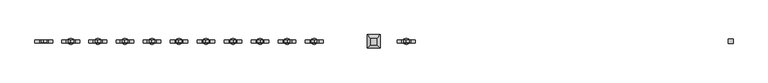
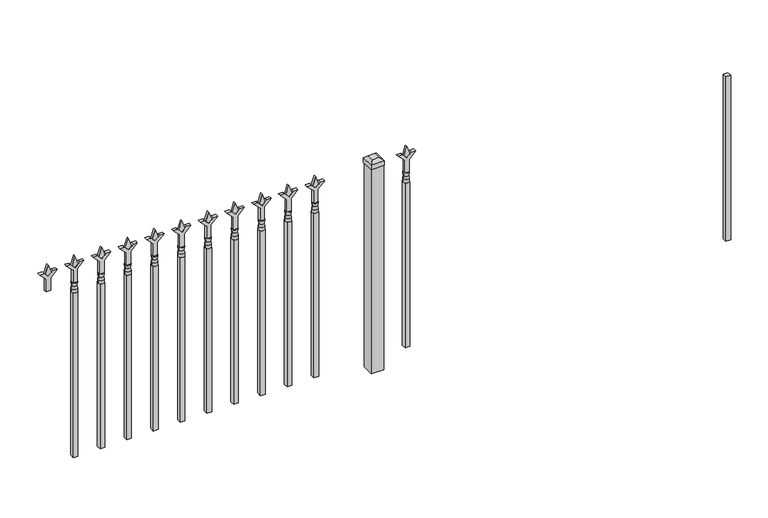
"""IFC4 building model written with IfcOpenShell, lengths in millimetres: railing geometry."""

from ifc_helpers import new_model, si_unit, frame, origin, place, context, project, spatial, polyline, circle_curve, outline, extrude, faceted_brep, source, transform, mapped, element, save
from ifc_brep_helpers import plane_surface, cylinder_surface, revolved_surface, advanced_brep


def railing_796b7fcd(model_context):
    return source(origin(), model_context, "Body", "SolidModel", [
        extrude(outline(polyline([(-6781.6925134, 7047.1449518), (-6762.6425134, 7047.1449518), (-6762.6425134, 7028.0949518), (-6781.6925134, 7028.0949518), (-6781.6925134, 7047.1449518)])), frame((0.0, 0.0, 12242.8), z_axis=(0.0, 0.0, 1.0), x_axis=(1.0, 0.0, 0.0)), (0.0, 0.0, 1.0), 711.2),
        extrude(outline(polyline([(13070.68125, -8071.5362634), (13106.4, -8083.4425134), (13070.68125, -8095.3487634), (13058.775, -8083.4425134), (13070.68125, -8071.5362634)])), frame((0.0, 7032.8574518, 0.0), z_axis=(0.0, 1.0, 0.0), x_axis=(0.0, 0.0, 1.0)), (0.0, 0.0, 1.0), 9.525),
        extrude(outline(polyline([(12995.275, -8074.7112634), (13049.5457378, -8074.7112634), (13076.7355122, -8047.5214889), (13076.7355122, -8065.4820011), (13058.775, -8083.4425134), (13076.7355122, -8101.4030256), (13076.7355122, -8119.3635379), (13049.5457378, -8092.1737634), (12995.275, -8092.1737634), (12995.275, -8074.7112634)])), frame((0.0, 7031.2699518, 0.0), z_axis=(0.0, 1.0, 0.0), x_axis=(0.0, 0.0, 1.0)), (0.0, 0.0, 1.0), 12.7),
        advanced_brep(
        [(-8071.5362634, 7037.6199518, 12966.7), (-8095.3487634, 7037.6199518, 12966.7), (-8095.3487634, 7037.6199518, 12954.0), (-8071.5362634, 7037.6199518, 12954.0), (-8073.7415952, 7037.6199518, 12979.2070585), (-8093.1434315, 7037.6199518, 12979.2070585), (-8071.5362634, 7037.6199518, 12995.275), (-8095.3487634, 7037.6199518, 12995.275), (-8083.4425134, 7037.6199518, 12995.275), (-8083.4425134, 7037.6199518, 12954.0)],
        [
            (0, 1, circle_curve(frame((-8083.4425134, 7037.6199518, 12966.7), z_axis=(0.0, 0.0, -1.0), x_axis=(-1.0, 0.0, 0.0)), 11.90625)),
            (1, 2),
            (2, 3, circle_curve(frame((-8083.4425134, 7037.6199518, 12954.0), z_axis=(0.0, 0.0, 1.0), x_axis=(-1.0, 0.0, 0.0)), 11.90625)),
            (3, 0),
            (1, 0, circle_curve(frame((-8083.4425134, 7037.6199518, 12966.7), z_axis=(0.0, 0.0, -1.0), x_axis=(-1.0, 0.0, 0.0)), 11.90625)),
            (3, 2, circle_curve(frame((-8083.4425134, 7037.6199518, 12954.0), z_axis=(0.0, 0.0, 1.0), x_axis=(-1.0, 0.0, 0.0)), 11.90625)),
            (4, 5, circle_curve(frame((-8083.4425134, 7037.6199518, 12979.2070585), z_axis=(0.0, 0.0, -1.0), x_axis=(-1.0, 0.0, 0.0)), 9.7009181)),
            (5, 1),
            (0, 4),
            (5, 4, circle_curve(frame((-8083.4425134, 7037.6199518, 12979.2070585), z_axis=(0.0, 0.0, -1.0), x_axis=(-1.0, 0.0, 0.0)), 9.7009181)),
            (6, 7, circle_curve(frame((-8083.4425134, 7037.6199518, 12995.275), z_axis=(0.0, 0.0, -1.0), x_axis=(-1.0, 0.0, 0.0)), 11.90625)),
            (7, 5),
            (4, 6),
            (7, 6, circle_curve(frame((-8083.4425134, 7037.6199518, 12995.275), z_axis=(0.0, 0.0, -1.0), x_axis=(-1.0, 0.0, 0.0)), 11.90625)),
            (8, 7),
            (6, 8),
            (2, 9),
            (9, 3),
        ],
        [
            cylinder_surface(frame((-8083.4425134, 7037.6199518, 12954.0), z_axis=(0.0, 0.0, 1.0), x_axis=(-1.0, 0.0, 0.0)), 11.90625),
            revolved_surface(polyline([(-8095.3487634, 7037.6199518, 12966.7), (-8093.1434315, 7037.6199518, 12979.2070585)]), (-8083.4425134, 7037.6199518, 12954.0), (0.0, 0.0, 1.0)),
            revolved_surface(polyline([(-8093.1434315, 7037.6199518, 12979.2070585), (-8095.3487634, 7037.6199518, 12995.275)]), (-8083.4425134, 7037.6199518, 12954.0), (0.0, 0.0, 1.0)),
            plane_surface(frame((-8083.4425134, 7037.6199518, 12995.275), z_axis=(0.0, 0.0, 1.0), x_axis=(-1.0, 0.0, 0.0))),
            plane_surface(frame((-8083.4425134, 7037.6199518, 12954.0), z_axis=(0.0, 0.0, -1.0), x_axis=(-1.0, 0.0, 0.0))),
        ],
        [
            (0, [[1, 2, 3, 4]]),
            (0, [[5, -4, 6, -2]]),
            (1, [[7, 8, -1, 9]]),
            (1, [[10, -9, -5, -8]]),
            (2, [[11, 12, -7, 13]]),
            (2, [[14, -13, -10, -12]]),
            (3, [[15, -11, 16]]),
            (3, [[-16, -14, -15]]),
            (4, [[-3, 17, 18]]),
            (4, [[-6, -18, -17]]),
        ],
    ),
        extrude(outline(polyline([(-8092.9675134, 7047.1449518), (-8073.9175134, 7047.1449518), (-8073.9175134, 7028.0949518), (-8092.9675134, 7028.0949518), (-8092.9675134, 7047.1449518)])), frame((0.0, 0.0, 12242.8), z_axis=(0.0, 0.0, 1.0), x_axis=(1.0, 0.0, 0.0)), (0.0, 0.0, 1.0), 711.2),
        faceted_brep([(-8242.1925134, 7064.6074518, 13093.7), (-8242.1925134, 7064.6074518, 13074.65), (-8242.1925134, 7010.6324518, 13074.65), (-8242.1925134, 7010.6324518, 13093.7), (-8229.4925134, 7051.9074518, 13106.4), (-8229.4925134, 7023.3324518, 13106.4), (-8188.2175134, 7010.6324518, 13074.65), (-8188.2175134, 7010.6324518, 13093.7), (-8200.9175134, 7023.3324518, 13106.4), (-8188.2175134, 7064.6074518, 13074.65), (-8188.2175134, 7064.6074518, 13093.7), (-8200.9175134, 7051.9074518, 13106.4)], [[[0, 1, 2, 3]], [[4, 0, 3, 5]], [[3, 2, 6, 7]], [[5, 3, 7, 8]], [[7, 6, 9, 10]], [[8, 7, 10, 11]], [[10, 9, 1, 0]], [[11, 10, 0, 4]], [[5, 8, 11, 4]], [[1, 9, 6, 2]]]),
        extrude(outline(polyline([(-8189.8050134, 7063.0199518), (-8189.8050134, 7012.2199518), (-8240.6050134, 7012.2199518), (-8240.6050134, 7063.0199518), (-8189.8050134, 7063.0199518)])), frame((0.0, 0.0, 12192.0), z_axis=(0.0, 0.0, 1.0), x_axis=(1.0, 0.0, 0.0)), (0.0, 0.0, 1.0), 882.65),
        extrude(outline(polyline([(13070.68125, -8444.33418), (13106.4, -8456.24043), (13070.68125, -8468.14668), (13058.775, -8456.24043), (13070.68125, -8444.33418)])), frame((0.0, 7032.8574518, 0.0), z_axis=(0.0, 1.0, 0.0), x_axis=(0.0, 0.0, 1.0)), (0.0, 0.0, 1.0), 9.525),
        extrude(outline(polyline([(12995.275, -8447.50918), (13049.5457378, -8447.50918), (13076.7355122, -8420.3194056), (13076.7355122, -8438.2799178), (13058.775, -8456.24043), (13076.7355122, -8474.2009423), (13076.7355122, -8492.1614545), (13049.5457378, -8464.97168), (12995.275, -8464.97168), (12995.275, -8447.50918)])), frame((0.0, 7031.2699518, 0.0), z_axis=(0.0, 1.0, 0.0), x_axis=(0.0, 0.0, 1.0)), (0.0, 0.0, 1.0), 12.7),
        advanced_brep(
        [(-8444.33418, 7037.6199518, 12966.7), (-8468.14668, 7037.6199518, 12966.7), (-8468.14668, 7037.6199518, 12954.0), (-8444.33418, 7037.6199518, 12954.0), (-8446.5395119, 7037.6199518, 12979.2070585), (-8465.9413482, 7037.6199518, 12979.2070585), (-8444.33418, 7037.6199518, 12995.275), (-8468.14668, 7037.6199518, 12995.275), (-8456.24043, 7037.6199518, 12995.275), (-8456.24043, 7037.6199518, 12954.0)],
        [
            (0, 1, circle_curve(frame((-8456.24043, 7037.6199518, 12966.7), z_axis=(0.0, 0.0, -1.0), x_axis=(-1.0, 0.0, 0.0)), 11.90625)),
            (1, 2),
            (2, 3, circle_curve(frame((-8456.24043, 7037.6199518, 12954.0), z_axis=(0.0, 0.0, 1.0), x_axis=(-1.0, 0.0, 0.0)), 11.90625)),
            (3, 0),
            (1, 0, circle_curve(frame((-8456.24043, 7037.6199518, 12966.7), z_axis=(0.0, 0.0, -1.0), x_axis=(-1.0, 0.0, 0.0)), 11.90625)),
            (3, 2, circle_curve(frame((-8456.24043, 7037.6199518, 12954.0), z_axis=(0.0, 0.0, 1.0), x_axis=(-1.0, 0.0, 0.0)), 11.90625)),
            (4, 5, circle_curve(frame((-8456.24043, 7037.6199518, 12979.2070585), z_axis=(0.0, 0.0, -1.0), x_axis=(-1.0, 0.0, 0.0)), 9.7009181)),
            (5, 1),
            (0, 4),
            (5, 4, circle_curve(frame((-8456.24043, 7037.6199518, 12979.2070585), z_axis=(0.0, 0.0, -1.0), x_axis=(-1.0, 0.0, 0.0)), 9.7009181)),
            (6, 7, circle_curve(frame((-8456.24043, 7037.6199518, 12995.275), z_axis=(0.0, 0.0, -1.0), x_axis=(-1.0, 0.0, 0.0)), 11.90625)),
            (7, 5),
            (4, 6),
            (7, 6, circle_curve(frame((-8456.24043, 7037.6199518, 12995.275), z_axis=(0.0, 0.0, -1.0), x_axis=(-1.0, 0.0, 0.0)), 11.90625)),
            (8, 7),
            (6, 8),
            (2, 9),
            (9, 3),
        ],
        [
            cylinder_surface(frame((-8456.24043, 7037.6199518, 12954.0), z_axis=(0.0, 0.0, 1.0), x_axis=(-1.0, 0.0, 0.0)), 11.90625),
            revolved_surface(polyline([(-8468.14668, 7037.6199518, 12966.7), (-8465.9413482, 7037.6199518, 12979.2070585)]), (-8456.24043, 7037.6199518, 12954.0), (0.0, 0.0, 1.0)),
            revolved_surface(polyline([(-8465.9413482, 7037.6199518, 12979.2070585), (-8468.14668, 7037.6199518, 12995.275)]), (-8456.24043, 7037.6199518, 12954.0), (0.0, 0.0, 1.0)),
            plane_surface(frame((-8456.24043, 7037.6199518, 12995.275), z_axis=(0.0, 0.0, 1.0), x_axis=(-1.0, 0.0, 0.0))),
            plane_surface(frame((-8456.24043, 7037.6199518, 12954.0), z_axis=(0.0, 0.0, -1.0), x_axis=(-1.0, 0.0, 0.0))),
        ],
        [
            (0, [[1, 2, 3, 4]]),
            (0, [[5, -4, 6, -2]]),
            (1, [[7, 8, -1, 9]]),
            (1, [[10, -9, -5, -8]]),
            (2, [[11, 12, -7, 13]]),
            (2, [[14, -13, -10, -12]]),
            (3, [[15, -11, 16]]),
            (3, [[-16, -14, -15]]),
            (4, [[-3, 17, 18]]),
            (4, [[-6, -18, -17]]),
        ],
    ),
        extrude(outline(polyline([(-8465.76543, 7047.1449518), (-8446.71543, 7047.1449518), (-8446.71543, 7028.0949518), (-8465.76543, 7028.0949518), (-8465.76543, 7047.1449518)])), frame((0.0, 0.0, 12242.8), z_axis=(0.0, 0.0, 1.0), x_axis=(1.0, 0.0, 0.0)), (0.0, 0.0, 1.0), 711.2),
        extrude(outline(polyline([(13070.68125, -8553.6070967), (13106.4, -8565.5133467), (13070.68125, -8577.4195967), (13058.775, -8565.5133467), (13070.68125, -8553.6070967)])), frame((0.0, 7032.8574518, 0.0), z_axis=(0.0, 1.0, 0.0), x_axis=(0.0, 0.0, 1.0)), (0.0, 0.0, 1.0), 9.525),
        extrude(outline(polyline([(12995.275, -8556.7820967), (13049.5457378, -8556.7820967), (13076.7355122, -8529.5923222), (13076.7355122, -8547.5528345), (13058.775, -8565.5133467), (13076.7355122, -8583.473859), (13076.7355122, -8601.4343712), (13049.5457378, -8574.2445967), (12995.275, -8574.2445967), (12995.275, -8556.7820967)])), frame((0.0, 7031.2699518, 0.0), z_axis=(0.0, 1.0, 0.0), x_axis=(0.0, 0.0, 1.0)), (0.0, 0.0, 1.0), 12.7),
        advanced_brep(
        [(-8553.6070967, 7037.6199518, 12966.7), (-8577.4195967, 7037.6199518, 12966.7), (-8577.4195967, 7037.6199518, 12954.0), (-8553.6070967, 7037.6199518, 12954.0), (-8555.8124286, 7037.6199518, 12979.2070585), (-8575.2142649, 7037.6199518, 12979.2070585), (-8553.6070967, 7037.6199518, 12995.275), (-8577.4195967, 7037.6199518, 12995.275), (-8565.5133467, 7037.6199518, 12995.275), (-8565.5133467, 7037.6199518, 12954.0)],
        [
            (0, 1, circle_curve(frame((-8565.5133467, 7037.6199518, 12966.7), z_axis=(0.0, 0.0, -1.0), x_axis=(-1.0, 0.0, 0.0)), 11.90625)),
            (1, 2),
            (2, 3, circle_curve(frame((-8565.5133467, 7037.6199518, 12954.0), z_axis=(0.0, 0.0, 1.0), x_axis=(-1.0, 0.0, 0.0)), 11.90625)),
            (3, 0),
            (1, 0, circle_curve(frame((-8565.5133467, 7037.6199518, 12966.7), z_axis=(0.0, 0.0, -1.0), x_axis=(-1.0, 0.0, 0.0)), 11.90625)),
            (3, 2, circle_curve(frame((-8565.5133467, 7037.6199518, 12954.0), z_axis=(0.0, 0.0, 1.0), x_axis=(-1.0, 0.0, 0.0)), 11.90625)),
            (4, 5, circle_curve(frame((-8565.5133467, 7037.6199518, 12979.2070585), z_axis=(0.0, 0.0, -1.0), x_axis=(-1.0, 0.0, 0.0)), 9.7009181)),
            (5, 1),
            (0, 4),
            (5, 4, circle_curve(frame((-8565.5133467, 7037.6199518, 12979.2070585), z_axis=(0.0, 0.0, -1.0), x_axis=(-1.0, 0.0, 0.0)), 9.7009181)),
            (6, 7, circle_curve(frame((-8565.5133467, 7037.6199518, 12995.275), z_axis=(0.0, 0.0, -1.0), x_axis=(-1.0, 0.0, 0.0)), 11.90625)),
            (7, 5),
            (4, 6),
            (7, 6, circle_curve(frame((-8565.5133467, 7037.6199518, 12995.275), z_axis=(0.0, 0.0, -1.0), x_axis=(-1.0, 0.0, 0.0)), 11.90625)),
            (8, 7),
            (6, 8),
            (2, 9),
            (9, 3),
        ],
        [
            cylinder_surface(frame((-8565.5133467, 7037.6199518, 12954.0), z_axis=(0.0, 0.0, 1.0), x_axis=(-1.0, 0.0, 0.0)), 11.90625),
            revolved_surface(polyline([(-8577.4195967, 7037.6199518, 12966.7), (-8575.2142649, 7037.6199518, 12979.2070585)]), (-8565.5133467, 7037.6199518, 12954.0), (0.0, 0.0, 1.0)),
            revolved_surface(polyline([(-8575.2142649, 7037.6199518, 12979.2070585), (-8577.4195967, 7037.6199518, 12995.275)]), (-8565.5133467, 7037.6199518, 12954.0), (0.0, 0.0, 1.0)),
            plane_surface(frame((-8565.5133467, 7037.6199518, 12995.275), z_axis=(0.0, 0.0, 1.0), x_axis=(-1.0, 0.0, 0.0))),
            plane_surface(frame((-8565.5133467, 7037.6199518, 12954.0), z_axis=(0.0, 0.0, -1.0), x_axis=(-1.0, 0.0, 0.0))),
        ],
        [
            (0, [[1, 2, 3, 4]]),
            (0, [[5, -4, 6, -2]]),
            (1, [[7, 8, -1, 9]]),
            (1, [[10, -9, -5, -8]]),
            (2, [[11, 12, -7, 13]]),
            (2, [[14, -13, -10, -12]]),
            (3, [[15, -11, 16]]),
            (3, [[-16, -14, -15]]),
            (4, [[-3, 17, 18]]),
            (4, [[-6, -18, -17]]),
        ],
    ),
        extrude(outline(polyline([(-8575.0383467, 7047.1449518), (-8555.9883467, 7047.1449518), (-8555.9883467, 7028.0949518), (-8575.0383467, 7028.0949518), (-8575.0383467, 7047.1449518)])), frame((0.0, 0.0, 12242.8), z_axis=(0.0, 0.0, 1.0), x_axis=(1.0, 0.0, 0.0)), (0.0, 0.0, 1.0), 711.2),
        extrude(outline(polyline([(13070.68125, -8662.8800134), (13106.4, -8674.7862634), (13070.68125, -8686.6925134), (13058.775, -8674.7862634), (13070.68125, -8662.8800134)])), frame((0.0, 7032.8574518, 0.0), z_axis=(0.0, 1.0, 0.0), x_axis=(0.0, 0.0, 1.0)), (0.0, 0.0, 1.0), 9.525),
        extrude(outline(polyline([(12995.275, -8666.0550134), (13049.5457378, -8666.0550134), (13076.7355122, -8638.8652389), (13076.7355122, -8656.8257511), (13058.775, -8674.7862634), (13076.7355122, -8692.7467756), (13076.7355122, -8710.7072879), (13049.5457378, -8683.5175134), (12995.275, -8683.5175134), (12995.275, -8666.0550134)])), frame((0.0, 7031.2699518, 0.0), z_axis=(0.0, 1.0, 0.0), x_axis=(0.0, 0.0, 1.0)), (0.0, 0.0, 1.0), 12.7),
        advanced_brep(
        [(-8662.8800134, 7037.6199518, 12966.7), (-8686.6925134, 7037.6199518, 12966.7), (-8686.6925134, 7037.6199518, 12954.0), (-8662.8800134, 7037.6199518, 12954.0), (-8665.0853452, 7037.6199518, 12979.2070585), (-8684.4871815, 7037.6199518, 12979.2070585), (-8662.8800134, 7037.6199518, 12995.275), (-8686.6925134, 7037.6199518, 12995.275), (-8674.7862634, 7037.6199518, 12995.275), (-8674.7862634, 7037.6199518, 12954.0)],
        [
            (0, 1, circle_curve(frame((-8674.7862634, 7037.6199518, 12966.7), z_axis=(0.0, 0.0, -1.0), x_axis=(-1.0, 0.0, 0.0)), 11.90625)),
            (1, 2),
            (2, 3, circle_curve(frame((-8674.7862634, 7037.6199518, 12954.0), z_axis=(0.0, 0.0, 1.0), x_axis=(-1.0, 0.0, 0.0)), 11.90625)),
            (3, 0),
            (1, 0, circle_curve(frame((-8674.7862634, 7037.6199518, 12966.7), z_axis=(0.0, 0.0, -1.0), x_axis=(-1.0, 0.0, 0.0)), 11.90625)),
            (3, 2, circle_curve(frame((-8674.7862634, 7037.6199518, 12954.0), z_axis=(0.0, 0.0, 1.0), x_axis=(-1.0, 0.0, 0.0)), 11.90625)),
            (4, 5, circle_curve(frame((-8674.7862634, 7037.6199518, 12979.2070585), z_axis=(0.0, 0.0, -1.0), x_axis=(-1.0, 0.0, 0.0)), 9.7009181)),
            (5, 1),
            (0, 4),
            (5, 4, circle_curve(frame((-8674.7862634, 7037.6199518, 12979.2070585), z_axis=(0.0, 0.0, -1.0), x_axis=(-1.0, 0.0, 0.0)), 9.7009181)),
            (6, 7, circle_curve(frame((-8674.7862634, 7037.6199518, 12995.275), z_axis=(0.0, 0.0, -1.0), x_axis=(-1.0, 0.0, 0.0)), 11.90625)),
            (7, 5),
            (4, 6),
            (7, 6, circle_curve(frame((-8674.7862634, 7037.6199518, 12995.275), z_axis=(0.0, 0.0, -1.0), x_axis=(-1.0, 0.0, 0.0)), 11.90625)),
            (8, 7),
            (6, 8),
            (2, 9),
            (9, 3),
        ],
        [
            cylinder_surface(frame((-8674.7862634, 7037.6199518, 12954.0), z_axis=(0.0, 0.0, 1.0), x_axis=(-1.0, 0.0, 0.0)), 11.90625),
            revolved_surface(polyline([(-8686.6925134, 7037.6199518, 12966.7), (-8684.4871815, 7037.6199518, 12979.2070585)]), (-8674.7862634, 7037.6199518, 12954.0), (0.0, 0.0, 1.0)),
            revolved_surface(polyline([(-8684.4871815, 7037.6199518, 12979.2070585), (-8686.6925134, 7037.6199518, 12995.275)]), (-8674.7862634, 7037.6199518, 12954.0), (0.0, 0.0, 1.0)),
            plane_surface(frame((-8674.7862634, 7037.6199518, 12995.275), z_axis=(0.0, 0.0, 1.0), x_axis=(-1.0, 0.0, 0.0))),
            plane_surface(frame((-8674.7862634, 7037.6199518, 12954.0), z_axis=(0.0, 0.0, -1.0), x_axis=(-1.0, 0.0, 0.0))),
        ],
        [
            (0, [[1, 2, 3, 4]]),
            (0, [[5, -4, 6, -2]]),
            (1, [[7, 8, -1, 9]]),
            (1, [[10, -9, -5, -8]]),
            (2, [[11, 12, -7, 13]]),
            (2, [[14, -13, -10, -12]]),
            (3, [[15, -11, 16]]),
            (3, [[-16, -14, -15]]),
            (4, [[-3, 17, 18]]),
            (4, [[-6, -18, -17]]),
        ],
    ),
        extrude(outline(polyline([(-8684.3112634, 7047.1449518), (-8665.2612634, 7047.1449518), (-8665.2612634, 7028.0949518), (-8684.3112634, 7028.0949518), (-8684.3112634, 7047.1449518)])), frame((0.0, 0.0, 12242.8), z_axis=(0.0, 0.0, 1.0), x_axis=(1.0, 0.0, 0.0)), (0.0, 0.0, 1.0), 711.2),
        extrude(outline(polyline([(13070.68125, -8772.15293), (13106.4, -8784.05918), (13070.68125, -8795.96543), (13058.775, -8784.05918), (13070.68125, -8772.15293)])), frame((0.0, 7032.8574518, 0.0), z_axis=(0.0, 1.0, 0.0), x_axis=(0.0, 0.0, 1.0)), (0.0, 0.0, 1.0), 9.525),
        extrude(outline(polyline([(12995.275, -8775.32793), (13049.5457378, -8775.32793), (13076.7355122, -8748.1381556), (13076.7355122, -8766.0986678), (13058.775, -8784.05918), (13076.7355122, -8802.0196923), (13076.7355122, -8819.9802045), (13049.5457378, -8792.79043), (12995.275, -8792.79043), (12995.275, -8775.32793)])), frame((0.0, 7031.2699518, 0.0), z_axis=(0.0, 1.0, 0.0), x_axis=(0.0, 0.0, 1.0)), (0.0, 0.0, 1.0), 12.7),
        advanced_brep(
        [(-8772.15293, 7037.6199518, 12966.7), (-8795.96543, 7037.6199518, 12966.7), (-8795.96543, 7037.6199518, 12954.0), (-8772.15293, 7037.6199518, 12954.0), (-8774.3582619, 7037.6199518, 12979.2070585), (-8793.7600982, 7037.6199518, 12979.2070585), (-8772.15293, 7037.6199518, 12995.275), (-8795.96543, 7037.6199518, 12995.275), (-8784.05918, 7037.6199518, 12995.275), (-8784.05918, 7037.6199518, 12954.0)],
        [
            (0, 1, circle_curve(frame((-8784.05918, 7037.6199518, 12966.7), z_axis=(0.0, 0.0, -1.0), x_axis=(-1.0, 0.0, 0.0)), 11.90625)),
            (1, 2),
            (2, 3, circle_curve(frame((-8784.05918, 7037.6199518, 12954.0), z_axis=(0.0, 0.0, 1.0), x_axis=(-1.0, 0.0, 0.0)), 11.90625)),
            (3, 0),
            (1, 0, circle_curve(frame((-8784.05918, 7037.6199518, 12966.7), z_axis=(0.0, 0.0, -1.0), x_axis=(-1.0, 0.0, 0.0)), 11.90625)),
            (3, 2, circle_curve(frame((-8784.05918, 7037.6199518, 12954.0), z_axis=(0.0, 0.0, 1.0), x_axis=(-1.0, 0.0, 0.0)), 11.90625)),
            (4, 5, circle_curve(frame((-8784.05918, 7037.6199518, 12979.2070585), z_axis=(0.0, 0.0, -1.0), x_axis=(-1.0, 0.0, 0.0)), 9.7009181)),
            (5, 1),
            (0, 4),
            (5, 4, circle_curve(frame((-8784.05918, 7037.6199518, 12979.2070585), z_axis=(0.0, 0.0, -1.0), x_axis=(-1.0, 0.0, 0.0)), 9.7009181)),
            (6, 7, circle_curve(frame((-8784.05918, 7037.6199518, 12995.275), z_axis=(0.0, 0.0, -1.0), x_axis=(-1.0, 0.0, 0.0)), 11.90625)),
            (7, 5),
            (4, 6),
            (7, 6, circle_curve(frame((-8784.05918, 7037.6199518, 12995.275), z_axis=(0.0, 0.0, -1.0), x_axis=(-1.0, 0.0, 0.0)), 11.90625)),
            (8, 7),
            (6, 8),
            (2, 9),
            (9, 3),
        ],
        [
            cylinder_surface(frame((-8784.05918, 7037.6199518, 12954.0), z_axis=(0.0, 0.0, 1.0), x_axis=(-1.0, 0.0, 0.0)), 11.90625),
            revolved_surface(polyline([(-8795.96543, 7037.6199518, 12966.7), (-8793.7600982, 7037.6199518, 12979.2070585)]), (-8784.05918, 7037.6199518, 12954.0), (0.0, 0.0, 1.0)),
            revolved_surface(polyline([(-8793.7600982, 7037.6199518, 12979.2070585), (-8795.96543, 7037.6199518, 12995.275)]), (-8784.05918, 7037.6199518, 12954.0), (0.0, 0.0, 1.0)),
            plane_surface(frame((-8784.05918, 7037.6199518, 12995.275), z_axis=(0.0, 0.0, 1.0), x_axis=(-1.0, 0.0, 0.0))),
            plane_surface(frame((-8784.05918, 7037.6199518, 12954.0), z_axis=(0.0, 0.0, -1.0), x_axis=(-1.0, 0.0, 0.0))),
        ],
        [
            (0, [[1, 2, 3, 4]]),
            (0, [[5, -4, 6, -2]]),
            (1, [[7, 8, -1, 9]]),
            (1, [[10, -9, -5, -8]]),
            (2, [[11, 12, -7, 13]]),
            (2, [[14, -13, -10, -12]]),
            (3, [[15, -11, 16]]),
            (3, [[-16, -14, -15]]),
            (4, [[-3, 17, 18]]),
            (4, [[-6, -18, -17]]),
        ],
    ),
        extrude(outline(polyline([(-8793.58418, 7047.1449518), (-8774.53418, 7047.1449518), (-8774.53418, 7028.0949518), (-8793.58418, 7028.0949518), (-8793.58418, 7047.1449518)])), frame((0.0, 0.0, 12242.8), z_axis=(0.0, 0.0, 1.0), x_axis=(1.0, 0.0, 0.0)), (0.0, 0.0, 1.0), 711.2),
        extrude(outline(polyline([(13070.68125, -8881.4258467), (13106.4, -8893.3320967), (13070.68125, -8905.2383467), (13058.775, -8893.3320967), (13070.68125, -8881.4258467)])), frame((0.0, 7032.8574518, 0.0), z_axis=(0.0, 1.0, 0.0), x_axis=(0.0, 0.0, 1.0)), (0.0, 0.0, 1.0), 9.525),
        extrude(outline(polyline([(12995.275, -8884.6008467), (13049.5457378, -8884.6008467), (13076.7355122, -8857.4110722), (13076.7355122, -8875.3715845), (13058.775, -8893.3320967), (13076.7355122, -8911.292609), (13076.7355122, -8929.2531212), (13049.5457378, -8902.0633467), (12995.275, -8902.0633467), (12995.275, -8884.6008467)])), frame((0.0, 7031.2699518, 0.0), z_axis=(0.0, 1.0, 0.0), x_axis=(0.0, 0.0, 1.0)), (0.0, 0.0, 1.0), 12.7),
        advanced_brep(
        [(-8881.4258467, 7037.6199518, 12966.7), (-8905.2383467, 7037.6199518, 12966.7), (-8905.2383467, 7037.6199518, 12954.0), (-8881.4258467, 7037.6199518, 12954.0), (-8883.6311786, 7037.6199518, 12979.2070585), (-8903.0330149, 7037.6199518, 12979.2070585), (-8881.4258467, 7037.6199518, 12995.275), (-8905.2383467, 7037.6199518, 12995.275), (-8893.3320967, 7037.6199518, 12995.275), (-8893.3320967, 7037.6199518, 12954.0)],
        [
            (0, 1, circle_curve(frame((-8893.3320967, 7037.6199518, 12966.7), z_axis=(0.0, 0.0, -1.0), x_axis=(-1.0, 0.0, 0.0)), 11.90625)),
            (1, 2),
            (2, 3, circle_curve(frame((-8893.3320967, 7037.6199518, 12954.0), z_axis=(0.0, 0.0, 1.0), x_axis=(-1.0, 0.0, 0.0)), 11.90625)),
            (3, 0),
            (1, 0, circle_curve(frame((-8893.3320967, 7037.6199518, 12966.7), z_axis=(0.0, 0.0, -1.0), x_axis=(-1.0, 0.0, 0.0)), 11.90625)),
            (3, 2, circle_curve(frame((-8893.3320967, 7037.6199518, 12954.0), z_axis=(0.0, 0.0, 1.0), x_axis=(-1.0, 0.0, 0.0)), 11.90625)),
            (4, 5, circle_curve(frame((-8893.3320967, 7037.6199518, 12979.2070585), z_axis=(0.0, 0.0, -1.0), x_axis=(-1.0, 0.0, 0.0)), 9.7009181)),
            (5, 1),
            (0, 4),
            (5, 4, circle_curve(frame((-8893.3320967, 7037.6199518, 12979.2070585), z_axis=(0.0, 0.0, -1.0), x_axis=(-1.0, 0.0, 0.0)), 9.7009181)),
            (6, 7, circle_curve(frame((-8893.3320967, 7037.6199518, 12995.275), z_axis=(0.0, 0.0, -1.0), x_axis=(-1.0, 0.0, 0.0)), 11.90625)),
            (7, 5),
            (4, 6),
            (7, 6, circle_curve(frame((-8893.3320967, 7037.6199518, 12995.275), z_axis=(0.0, 0.0, -1.0), x_axis=(-1.0, 0.0, 0.0)), 11.90625)),
            (8, 7),
            (6, 8),
            (2, 9),
            (9, 3),
        ],
        [
            cylinder_surface(frame((-8893.3320967, 7037.6199518, 12954.0), z_axis=(0.0, 0.0, 1.0), x_axis=(-1.0, 0.0, 0.0)), 11.90625),
            revolved_surface(polyline([(-8905.2383467, 7037.6199518, 12966.7), (-8903.0330149, 7037.6199518, 12979.2070585)]), (-8893.3320967, 7037.6199518, 12954.0), (0.0, 0.0, 1.0)),
            revolved_surface(polyline([(-8903.0330149, 7037.6199518, 12979.2070585), (-8905.2383467, 7037.6199518, 12995.275)]), (-8893.3320967, 7037.6199518, 12954.0), (0.0, 0.0, 1.0)),
            plane_surface(frame((-8893.3320967, 7037.6199518, 12995.275), z_axis=(0.0, 0.0, 1.0), x_axis=(-1.0, 0.0, 0.0))),
            plane_surface(frame((-8893.3320967, 7037.6199518, 12954.0), z_axis=(0.0, 0.0, -1.0), x_axis=(-1.0, 0.0, 0.0))),
        ],
        [
            (0, [[1, 2, 3, 4]]),
            (0, [[5, -4, 6, -2]]),
            (1, [[7, 8, -1, 9]]),
            (1, [[10, -9, -5, -8]]),
            (2, [[11, 12, -7, 13]]),
            (2, [[14, -13, -10, -12]]),
            (3, [[15, -11, 16]]),
            (3, [[-16, -14, -15]]),
            (4, [[-3, 17, 18]]),
            (4, [[-6, -18, -17]]),
        ],
    ),
        extrude(outline(polyline([(-8902.8570967, 7047.1449518), (-8883.8070967, 7047.1449518), (-8883.8070967, 7028.0949518), (-8902.8570967, 7028.0949518), (-8902.8570967, 7047.1449518)])), frame((0.0, 0.0, 12242.8), z_axis=(0.0, 0.0, 1.0), x_axis=(1.0, 0.0, 0.0)), (0.0, 0.0, 1.0), 711.2),
        extrude(outline(polyline([(13070.68125, -8990.6987634), (13106.4, -9002.6050134), (13070.68125, -9014.5112634), (13058.775, -9002.6050134), (13070.68125, -8990.6987634)])), frame((0.0, 7032.8574518, 0.0), z_axis=(0.0, 1.0, 0.0), x_axis=(0.0, 0.0, 1.0)), (0.0, 0.0, 1.0), 9.525),
        extrude(outline(polyline([(12995.275, -8993.8737634), (13049.5457378, -8993.8737634), (13076.7355122, -8966.6839889), (13076.7355122, -8984.6445011), (13058.775, -9002.6050134), (13076.7355122, -9020.5655256), (13076.7355122, -9038.5260379), (13049.5457378, -9011.3362634), (12995.275, -9011.3362634), (12995.275, -8993.8737634)])), frame((0.0, 7031.2699518, 0.0), z_axis=(0.0, 1.0, 0.0), x_axis=(0.0, 0.0, 1.0)), (0.0, 0.0, 1.0), 12.7),
        advanced_brep(
        [(-8990.6987634, 7037.6199518, 12966.7), (-9014.5112634, 7037.6199518, 12966.7), (-9014.5112634, 7037.6199518, 12954.0), (-8990.6987634, 7037.6199518, 12954.0), (-8992.9040952, 7037.6199518, 12979.2070585), (-9012.3059315, 7037.6199518, 12979.2070585), (-8990.6987634, 7037.6199518, 12995.275), (-9014.5112634, 7037.6199518, 12995.275), (-9002.6050134, 7037.6199518, 12995.275), (-9002.6050134, 7037.6199518, 12954.0)],
        [
            (0, 1, circle_curve(frame((-9002.6050134, 7037.6199518, 12966.7), z_axis=(0.0, 0.0, -1.0), x_axis=(-1.0, 0.0, 0.0)), 11.90625)),
            (1, 2),
            (2, 3, circle_curve(frame((-9002.6050134, 7037.6199518, 12954.0), z_axis=(0.0, 0.0, 1.0), x_axis=(-1.0, 0.0, 0.0)), 11.90625)),
            (3, 0),
            (1, 0, circle_curve(frame((-9002.6050134, 7037.6199518, 12966.7), z_axis=(0.0, 0.0, -1.0), x_axis=(-1.0, 0.0, 0.0)), 11.90625)),
            (3, 2, circle_curve(frame((-9002.6050134, 7037.6199518, 12954.0), z_axis=(0.0, 0.0, 1.0), x_axis=(-1.0, 0.0, 0.0)), 11.90625)),
            (4, 5, circle_curve(frame((-9002.6050134, 7037.6199518, 12979.2070585), z_axis=(0.0, 0.0, -1.0), x_axis=(-1.0, 0.0, 0.0)), 9.7009181)),
            (5, 1),
            (0, 4),
            (5, 4, circle_curve(frame((-9002.6050134, 7037.6199518, 12979.2070585), z_axis=(0.0, 0.0, -1.0), x_axis=(-1.0, 0.0, 0.0)), 9.7009181)),
            (6, 7, circle_curve(frame((-9002.6050134, 7037.6199518, 12995.275), z_axis=(0.0, 0.0, -1.0), x_axis=(-1.0, 0.0, 0.0)), 11.90625)),
            (7, 5),
            (4, 6),
            (7, 6, circle_curve(frame((-9002.6050134, 7037.6199518, 12995.275), z_axis=(0.0, 0.0, -1.0), x_axis=(-1.0, 0.0, 0.0)), 11.90625)),
            (8, 7),
            (6, 8),
            (2, 9),
            (9, 3),
        ],
        [
            cylinder_surface(frame((-9002.6050134, 7037.6199518, 12954.0), z_axis=(0.0, 0.0, 1.0), x_axis=(-1.0, 0.0, 0.0)), 11.90625),
            revolved_surface(polyline([(-9014.5112634, 7037.6199518, 12966.7), (-9012.3059315, 7037.6199518, 12979.2070585)]), (-9002.6050134, 7037.6199518, 12954.0), (0.0, 0.0, 1.0)),
            revolved_surface(polyline([(-9012.3059315, 7037.6199518, 12979.2070585), (-9014.5112634, 7037.6199518, 12995.275)]), (-9002.6050134, 7037.6199518, 12954.0), (0.0, 0.0, 1.0)),
            plane_surface(frame((-9002.6050134, 7037.6199518, 12995.275), z_axis=(0.0, 0.0, 1.0), x_axis=(-1.0, 0.0, 0.0))),
            plane_surface(frame((-9002.6050134, 7037.6199518, 12954.0), z_axis=(0.0, 0.0, -1.0), x_axis=(-1.0, 0.0, 0.0))),
        ],
        [
            (0, [[1, 2, 3, 4]]),
            (0, [[5, -4, 6, -2]]),
            (1, [[7, 8, -1, 9]]),
            (1, [[10, -9, -5, -8]]),
            (2, [[11, 12, -7, 13]]),
            (2, [[14, -13, -10, -12]]),
            (3, [[15, -11, 16]]),
            (3, [[-16, -14, -15]]),
            (4, [[-3, 17, 18]]),
            (4, [[-6, -18, -17]]),
        ],
    ),
        extrude(outline(polyline([(-9012.1300134, 7047.1449518), (-8993.0800134, 7047.1449518), (-8993.0800134, 7028.0949518), (-9012.1300134, 7028.0949518), (-9012.1300134, 7047.1449518)])), frame((0.0, 0.0, 12242.8), z_axis=(0.0, 0.0, 1.0), x_axis=(1.0, 0.0, 0.0)), (0.0, 0.0, 1.0), 711.2),
        extrude(outline(polyline([(13070.68125, -9099.97168), (13106.4, -9111.87793), (13070.68125, -9123.78418), (13058.775, -9111.87793), (13070.68125, -9099.97168)])), frame((0.0, 7032.8574518, 0.0), z_axis=(0.0, 1.0, 0.0), x_axis=(0.0, 0.0, 1.0)), (0.0, 0.0, 1.0), 9.525),
        extrude(outline(polyline([(12995.275, -9103.14668), (13049.5457378, -9103.14668), (13076.7355122, -9075.9569056), (13076.7355122, -9093.9174178), (13058.775, -9111.87793), (13076.7355122, -9129.8384423), (13076.7355122, -9147.7989545), (13049.5457378, -9120.60918), (12995.275, -9120.60918), (12995.275, -9103.14668)])), frame((0.0, 7031.2699518, 0.0), z_axis=(0.0, 1.0, 0.0), x_axis=(0.0, 0.0, 1.0)), (0.0, 0.0, 1.0), 12.7),
        advanced_brep(
        [(-9099.97168, 7037.6199518, 12966.7), (-9123.78418, 7037.6199518, 12966.7), (-9123.78418, 7037.6199518, 12954.0), (-9099.97168, 7037.6199518, 12954.0), (-9102.1770119, 7037.6199518, 12979.2070585), (-9121.5788482, 7037.6199518, 12979.2070585), (-9099.97168, 7037.6199518, 12995.275), (-9123.78418, 7037.6199518, 12995.275), (-9111.87793, 7037.6199518, 12995.275), (-9111.87793, 7037.6199518, 12954.0)],
        [
            (0, 1, circle_curve(frame((-9111.87793, 7037.6199518, 12966.7), z_axis=(0.0, 0.0, -1.0), x_axis=(-1.0, 0.0, 0.0)), 11.90625)),
            (1, 2),
            (2, 3, circle_curve(frame((-9111.87793, 7037.6199518, 12954.0), z_axis=(0.0, 0.0, 1.0), x_axis=(-1.0, 0.0, 0.0)), 11.90625)),
            (3, 0),
            (1, 0, circle_curve(frame((-9111.87793, 7037.6199518, 12966.7), z_axis=(0.0, 0.0, -1.0), x_axis=(-1.0, 0.0, 0.0)), 11.90625)),
            (3, 2, circle_curve(frame((-9111.87793, 7037.6199518, 12954.0), z_axis=(0.0, 0.0, 1.0), x_axis=(-1.0, 0.0, 0.0)), 11.90625)),
            (4, 5, circle_curve(frame((-9111.87793, 7037.6199518, 12979.2070585), z_axis=(0.0, 0.0, -1.0), x_axis=(-1.0, 0.0, 0.0)), 9.7009181)),
            (5, 1),
            (0, 4),
            (5, 4, circle_curve(frame((-9111.87793, 7037.6199518, 12979.2070585), z_axis=(0.0, 0.0, -1.0), x_axis=(-1.0, 0.0, 0.0)), 9.7009181)),
            (6, 7, circle_curve(frame((-9111.87793, 7037.6199518, 12995.275), z_axis=(0.0, 0.0, -1.0), x_axis=(-1.0, 0.0, 0.0)), 11.90625)),
            (7, 5),
            (4, 6),
            (7, 6, circle_curve(frame((-9111.87793, 7037.6199518, 12995.275), z_axis=(0.0, 0.0, -1.0), x_axis=(-1.0, 0.0, 0.0)), 11.90625)),
            (8, 7),
            (6, 8),
            (2, 9),
            (9, 3),
        ],
        [
            cylinder_surface(frame((-9111.87793, 7037.6199518, 12954.0), z_axis=(0.0, 0.0, 1.0), x_axis=(-1.0, 0.0, 0.0)), 11.90625),
            revolved_surface(polyline([(-9123.78418, 7037.6199518, 12966.7), (-9121.5788482, 7037.6199518, 12979.2070585)]), (-9111.87793, 7037.6199518, 12954.0), (0.0, 0.0, 1.0)),
            revolved_surface(polyline([(-9121.5788482, 7037.6199518, 12979.2070585), (-9123.78418, 7037.6199518, 12995.275)]), (-9111.87793, 7037.6199518, 12954.0), (0.0, 0.0, 1.0)),
            plane_surface(frame((-9111.87793, 7037.6199518, 12995.275), z_axis=(0.0, 0.0, 1.0), x_axis=(-1.0, 0.0, 0.0))),
            plane_surface(frame((-9111.87793, 7037.6199518, 12954.0), z_axis=(0.0, 0.0, -1.0), x_axis=(-1.0, 0.0, 0.0))),
        ],
        [
            (0, [[1, 2, 3, 4]]),
            (0, [[5, -4, 6, -2]]),
            (1, [[7, 8, -1, 9]]),
            (1, [[10, -9, -5, -8]]),
            (2, [[11, 12, -7, 13]]),
            (2, [[14, -13, -10, -12]]),
            (3, [[15, -11, 16]]),
            (3, [[-16, -14, -15]]),
            (4, [[-3, 17, 18]]),
            (4, [[-6, -18, -17]]),
        ],
    ),
        extrude(outline(polyline([(-9121.40293, 7047.1449518), (-9102.35293, 7047.1449518), (-9102.35293, 7028.0949518), (-9121.40293, 7028.0949518), (-9121.40293, 7047.1449518)])), frame((0.0, 0.0, 12242.8), z_axis=(0.0, 0.0, 1.0), x_axis=(1.0, 0.0, 0.0)), (0.0, 0.0, 1.0), 711.2),
        extrude(outline(polyline([(13070.68125, -9209.2445967), (13106.4, -9221.1508467), (13070.68125, -9233.0570967), (13058.775, -9221.1508467), (13070.68125, -9209.2445967)])), frame((0.0, 7032.8574518, 0.0), z_axis=(0.0, 1.0, 0.0), x_axis=(0.0, 0.0, 1.0)), (0.0, 0.0, 1.0), 9.525),
        extrude(outline(polyline([(12995.275, -9212.4195967), (13049.5457378, -9212.4195967), (13076.7355122, -9185.2298222), (13076.7355122, -9203.1903345), (13058.775, -9221.1508467), (13076.7355122, -9239.111359), (13076.7355122, -9257.0718712), (13049.5457378, -9229.8820967), (12995.275, -9229.8820967), (12995.275, -9212.4195967)])), frame((0.0, 7031.2699518, 0.0), z_axis=(0.0, 1.0, 0.0), x_axis=(0.0, 0.0, 1.0)), (0.0, 0.0, 1.0), 12.7),
        advanced_brep(
        [(-9209.2445967, 7037.6199518, 12966.7), (-9233.0570967, 7037.6199518, 12966.7), (-9233.0570967, 7037.6199518, 12954.0), (-9209.2445967, 7037.6199518, 12954.0), (-9211.4499286, 7037.6199518, 12979.2070585), (-9230.8517649, 7037.6199518, 12979.2070585), (-9209.2445967, 7037.6199518, 12995.275), (-9233.0570967, 7037.6199518, 12995.275), (-9221.1508467, 7037.6199518, 12995.275), (-9221.1508467, 7037.6199518, 12954.0)],
        [
            (0, 1, circle_curve(frame((-9221.1508467, 7037.6199518, 12966.7), z_axis=(0.0, 0.0, -1.0), x_axis=(-1.0, 0.0, 0.0)), 11.90625)),
            (1, 2),
            (2, 3, circle_curve(frame((-9221.1508467, 7037.6199518, 12954.0), z_axis=(0.0, 0.0, 1.0), x_axis=(-1.0, 0.0, 0.0)), 11.90625)),
            (3, 0),
            (1, 0, circle_curve(frame((-9221.1508467, 7037.6199518, 12966.7), z_axis=(0.0, 0.0, -1.0), x_axis=(-1.0, 0.0, 0.0)), 11.90625)),
            (3, 2, circle_curve(frame((-9221.1508467, 7037.6199518, 12954.0), z_axis=(0.0, 0.0, 1.0), x_axis=(-1.0, 0.0, 0.0)), 11.90625)),
            (4, 5, circle_curve(frame((-9221.1508467, 7037.6199518, 12979.2070585), z_axis=(0.0, 0.0, -1.0), x_axis=(-1.0, 0.0, 0.0)), 9.7009181)),
            (5, 1),
            (0, 4),
            (5, 4, circle_curve(frame((-9221.1508467, 7037.6199518, 12979.2070585), z_axis=(0.0, 0.0, -1.0), x_axis=(-1.0, 0.0, 0.0)), 9.7009181)),
            (6, 7, circle_curve(frame((-9221.1508467, 7037.6199518, 12995.275), z_axis=(0.0, 0.0, -1.0), x_axis=(-1.0, 0.0, 0.0)), 11.90625)),
            (7, 5),
            (4, 6),
            (7, 6, circle_curve(frame((-9221.1508467, 7037.6199518, 12995.275), z_axis=(0.0, 0.0, -1.0), x_axis=(-1.0, 0.0, 0.0)), 11.90625)),
            (8, 7),
            (6, 8),
            (2, 9),
            (9, 3),
        ],
        [
            cylinder_surface(frame((-9221.1508467, 7037.6199518, 12954.0), z_axis=(0.0, 0.0, 1.0), x_axis=(-1.0, 0.0, 0.0)), 11.90625),
            revolved_surface(polyline([(-9233.0570967, 7037.6199518, 12966.7), (-9230.8517649, 7037.6199518, 12979.2070585)]), (-9221.1508467, 7037.6199518, 12954.0), (0.0, 0.0, 1.0)),
            revolved_surface(polyline([(-9230.8517649, 7037.6199518, 12979.2070585), (-9233.0570967, 7037.6199518, 12995.275)]), (-9221.1508467, 7037.6199518, 12954.0), (0.0, 0.0, 1.0)),
            plane_surface(frame((-9221.1508467, 7037.6199518, 12995.275), z_axis=(0.0, 0.0, 1.0), x_axis=(-1.0, 0.0, 0.0))),
            plane_surface(frame((-9221.1508467, 7037.6199518, 12954.0), z_axis=(0.0, 0.0, -1.0), x_axis=(-1.0, 0.0, 0.0))),
        ],
        [
            (0, [[1, 2, 3, 4]]),
            (0, [[5, -4, 6, -2]]),
            (1, [[7, 8, -1, 9]]),
            (1, [[10, -9, -5, -8]]),
            (2, [[11, 12, -7, 13]]),
            (2, [[14, -13, -10, -12]]),
            (3, [[15, -11, 16]]),
            (3, [[-16, -14, -15]]),
            (4, [[-3, 17, 18]]),
            (4, [[-6, -18, -17]]),
        ],
    ),
        extrude(outline(polyline([(-9230.6758467, 7047.1449518), (-9211.6258467, 7047.1449518), (-9211.6258467, 7028.0949518), (-9230.6758467, 7028.0949518), (-9230.6758467, 7047.1449518)])), frame((0.0, 0.0, 12242.8), z_axis=(0.0, 0.0, 1.0), x_axis=(1.0, 0.0, 0.0)), (0.0, 0.0, 1.0), 711.2),
        extrude(outline(polyline([(13070.68125, -9318.5175134), (13106.4, -9330.4237634), (13070.68125, -9342.3300134), (13058.775, -9330.4237634), (13070.68125, -9318.5175134)])), frame((0.0, 7032.8574518, 0.0), z_axis=(0.0, 1.0, 0.0), x_axis=(0.0, 0.0, 1.0)), (0.0, 0.0, 1.0), 9.525),
        extrude(outline(polyline([(12995.275, -9321.6925134), (13049.5457378, -9321.6925134), (13076.7355122, -9294.5027389), (13076.7355122, -9312.4632511), (13058.775, -9330.4237634), (13076.7355122, -9348.3842756), (13076.7355122, -9366.3447879), (13049.5457378, -9339.1550134), (12995.275, -9339.1550134), (12995.275, -9321.6925134)])), frame((0.0, 7031.2699518, 0.0), z_axis=(0.0, 1.0, 0.0), x_axis=(0.0, 0.0, 1.0)), (0.0, 0.0, 1.0), 12.7),
        advanced_brep(
        [(-9318.5175134, 7037.6199518, 12966.7), (-9342.3300134, 7037.6199518, 12966.7), (-9342.3300134, 7037.6199518, 12954.0), (-9318.5175134, 7037.6199518, 12954.0), (-9320.7228452, 7037.6199518, 12979.2070585), (-9340.1246815, 7037.6199518, 12979.2070585), (-9318.5175134, 7037.6199518, 12995.275), (-9342.3300134, 7037.6199518, 12995.275), (-9330.4237634, 7037.6199518, 12995.275), (-9330.4237634, 7037.6199518, 12954.0)],
        [
            (0, 1, circle_curve(frame((-9330.4237634, 7037.6199518, 12966.7), z_axis=(0.0, 0.0, -1.0), x_axis=(-1.0, 0.0, 0.0)), 11.90625)),
            (1, 2),
            (2, 3, circle_curve(frame((-9330.4237634, 7037.6199518, 12954.0), z_axis=(0.0, 0.0, 1.0), x_axis=(-1.0, 0.0, 0.0)), 11.90625)),
            (3, 0),
            (1, 0, circle_curve(frame((-9330.4237634, 7037.6199518, 12966.7), z_axis=(0.0, 0.0, -1.0), x_axis=(-1.0, 0.0, 0.0)), 11.90625)),
            (3, 2, circle_curve(frame((-9330.4237634, 7037.6199518, 12954.0), z_axis=(0.0, 0.0, 1.0), x_axis=(-1.0, 0.0, 0.0)), 11.90625)),
            (4, 5, circle_curve(frame((-9330.4237634, 7037.6199518, 12979.2070585), z_axis=(0.0, 0.0, -1.0), x_axis=(-1.0, 0.0, 0.0)), 9.7009181)),
            (5, 1),
            (0, 4),
            (5, 4, circle_curve(frame((-9330.4237634, 7037.6199518, 12979.2070585), z_axis=(0.0, 0.0, -1.0), x_axis=(-1.0, 0.0, 0.0)), 9.7009181)),
            (6, 7, circle_curve(frame((-9330.4237634, 7037.6199518, 12995.275), z_axis=(0.0, 0.0, -1.0), x_axis=(-1.0, 0.0, 0.0)), 11.90625)),
            (7, 5),
            (4, 6),
            (7, 6, circle_curve(frame((-9330.4237634, 7037.6199518, 12995.275), z_axis=(0.0, 0.0, -1.0), x_axis=(-1.0, 0.0, 0.0)), 11.90625)),
            (8, 7),
            (6, 8),
            (2, 9),
            (9, 3),
        ],
        [
            cylinder_surface(frame((-9330.4237634, 7037.6199518, 12954.0), z_axis=(0.0, 0.0, 1.0), x_axis=(-1.0, 0.0, 0.0)), 11.90625),
            revolved_surface(polyline([(-9342.3300134, 7037.6199518, 12966.7), (-9340.1246815, 7037.6199518, 12979.2070585)]), (-9330.4237634, 7037.6199518, 12954.0), (0.0, 0.0, 1.0)),
            revolved_surface(polyline([(-9340.1246815, 7037.6199518, 12979.2070585), (-9342.3300134, 7037.6199518, 12995.275)]), (-9330.4237634, 7037.6199518, 12954.0), (0.0, 0.0, 1.0)),
            plane_surface(frame((-9330.4237634, 7037.6199518, 12995.275), z_axis=(0.0, 0.0, 1.0), x_axis=(-1.0, 0.0, 0.0))),
            plane_surface(frame((-9330.4237634, 7037.6199518, 12954.0), z_axis=(0.0, 0.0, -1.0), x_axis=(-1.0, 0.0, 0.0))),
        ],
        [
            (0, [[1, 2, 3, 4]]),
            (0, [[5, -4, 6, -2]]),
            (1, [[7, 8, -1, 9]]),
            (1, [[10, -9, -5, -8]]),
            (2, [[11, 12, -7, 13]]),
            (2, [[14, -13, -10, -12]]),
            (3, [[15, -11, 16]]),
            (3, [[-16, -14, -15]]),
            (4, [[-3, 17, 18]]),
            (4, [[-6, -18, -17]]),
        ],
    ),
        extrude(outline(polyline([(-9339.9487634, 7047.1449518), (-9320.8987634, 7047.1449518), (-9320.8987634, 7028.0949518), (-9339.9487634, 7028.0949518), (-9339.9487634, 7047.1449518)])), frame((0.0, 0.0, 12242.8), z_axis=(0.0, 0.0, 1.0), x_axis=(1.0, 0.0, 0.0)), (0.0, 0.0, 1.0), 711.2),
        extrude(outline(polyline([(13070.68125, -9427.79043), (13106.4, -9439.69668), (13070.68125, -9451.60293), (13058.775, -9439.69668), (13070.68125, -9427.79043)])), frame((0.0, 7032.8574518, 0.0), z_axis=(0.0, 1.0, 0.0), x_axis=(0.0, 0.0, 1.0)), (0.0, 0.0, 1.0), 9.525),
        extrude(outline(polyline([(12995.275, -9430.96543), (13049.5457378, -9430.96543), (13076.7355122, -9403.7756556), (13076.7355122, -9421.7361678), (13058.775, -9439.69668), (13076.7355122, -9457.6571923), (13076.7355122, -9475.6177045), (13049.5457378, -9448.42793), (12995.275, -9448.42793), (12995.275, -9430.96543)])), frame((0.0, 7031.2699518, 0.0), z_axis=(0.0, 1.0, 0.0), x_axis=(0.0, 0.0, 1.0)), (0.0, 0.0, 1.0), 12.7),
        advanced_brep(
        [(-9427.79043, 7037.6199518, 12966.7), (-9451.60293, 7037.6199518, 12966.7), (-9451.60293, 7037.6199518, 12954.0), (-9427.79043, 7037.6199518, 12954.0), (-9429.9957619, 7037.6199518, 12979.2070585), (-9449.3975982, 7037.6199518, 12979.2070585), (-9427.79043, 7037.6199518, 12995.275), (-9451.60293, 7037.6199518, 12995.275), (-9439.69668, 7037.6199518, 12995.275), (-9439.69668, 7037.6199518, 12954.0)],
        [
            (0, 1, circle_curve(frame((-9439.69668, 7037.6199518, 12966.7), z_axis=(0.0, 0.0, -1.0), x_axis=(-1.0, 0.0, 0.0)), 11.90625)),
            (1, 2),
            (2, 3, circle_curve(frame((-9439.69668, 7037.6199518, 12954.0), z_axis=(0.0, 0.0, 1.0), x_axis=(-1.0, 0.0, 0.0)), 11.90625)),
            (3, 0),
            (1, 0, circle_curve(frame((-9439.69668, 7037.6199518, 12966.7), z_axis=(0.0, 0.0, -1.0), x_axis=(-1.0, 0.0, 0.0)), 11.90625)),
            (3, 2, circle_curve(frame((-9439.69668, 7037.6199518, 12954.0), z_axis=(0.0, 0.0, 1.0), x_axis=(-1.0, 0.0, 0.0)), 11.90625)),
            (4, 5, circle_curve(frame((-9439.69668, 7037.6199518, 12979.2070585), z_axis=(0.0, 0.0, -1.0), x_axis=(-1.0, 0.0, 0.0)), 9.7009181)),
            (5, 1),
            (0, 4),
            (5, 4, circle_curve(frame((-9439.69668, 7037.6199518, 12979.2070585), z_axis=(0.0, 0.0, -1.0), x_axis=(-1.0, 0.0, 0.0)), 9.7009181)),
            (6, 7, circle_curve(frame((-9439.69668, 7037.6199518, 12995.275), z_axis=(0.0, 0.0, -1.0), x_axis=(-1.0, 0.0, 0.0)), 11.90625)),
            (7, 5),
            (4, 6),
            (7, 6, circle_curve(frame((-9439.69668, 7037.6199518, 12995.275), z_axis=(0.0, 0.0, -1.0), x_axis=(-1.0, 0.0, 0.0)), 11.90625)),
            (8, 7),
            (6, 8),
            (2, 9),
            (9, 3),
        ],
        [
            cylinder_surface(frame((-9439.69668, 7037.6199518, 12954.0), z_axis=(0.0, 0.0, 1.0), x_axis=(-1.0, 0.0, 0.0)), 11.90625),
            revolved_surface(polyline([(-9451.60293, 7037.6199518, 12966.7), (-9449.3975982, 7037.6199518, 12979.2070585)]), (-9439.69668, 7037.6199518, 12954.0), (0.0, 0.0, 1.0)),
            revolved_surface(polyline([(-9449.3975982, 7037.6199518, 12979.2070585), (-9451.60293, 7037.6199518, 12995.275)]), (-9439.69668, 7037.6199518, 12954.0), (0.0, 0.0, 1.0)),
            plane_surface(frame((-9439.69668, 7037.6199518, 12995.275), z_axis=(0.0, 0.0, 1.0), x_axis=(-1.0, 0.0, 0.0))),
            plane_surface(frame((-9439.69668, 7037.6199518, 12954.0), z_axis=(0.0, 0.0, -1.0), x_axis=(-1.0, 0.0, 0.0))),
        ],
        [
            (0, [[1, 2, 3, 4]]),
            (0, [[5, -4, 6, -2]]),
            (1, [[7, 8, -1, 9]]),
            (1, [[10, -9, -5, -8]]),
            (2, [[11, 12, -7, 13]]),
            (2, [[14, -13, -10, -12]]),
            (3, [[15, -11, 16]]),
            (3, [[-16, -14, -15]]),
            (4, [[-3, 17, 18]]),
            (4, [[-6, -18, -17]]),
        ],
    ),
        extrude(outline(polyline([(-9449.22168, 7047.1449518), (-9430.17168, 7047.1449518), (-9430.17168, 7028.0949518), (-9449.22168, 7028.0949518), (-9449.22168, 7047.1449518)])), frame((0.0, 0.0, 12242.8), z_axis=(0.0, 0.0, 1.0), x_axis=(1.0, 0.0, 0.0)), (0.0, 0.0, 1.0), 711.2),
        extrude(outline(polyline([(13070.68125, -9537.0633467), (13106.4, -9548.9695967), (13070.68125, -9560.8758467), (13058.775, -9548.9695967), (13070.68125, -9537.0633467)])), frame((0.0, 7032.8574518, 0.0), z_axis=(0.0, 1.0, 0.0), x_axis=(0.0, 0.0, 1.0)), (0.0, 0.0, 1.0), 9.525),
        extrude(outline(polyline([(12995.275, -9540.2383467), (13049.5457378, -9540.2383467), (13076.7355122, -9513.0485722), (13076.7355122, -9531.0090845), (13058.775, -9548.9695967), (13076.7355122, -9566.930109), (13076.7355122, -9584.8906212), (13049.5457378, -9557.7008467), (12995.275, -9557.7008467), (12995.275, -9540.2383467)])), frame((0.0, 7031.2699518, 0.0), z_axis=(0.0, 1.0, 0.0), x_axis=(0.0, 0.0, 1.0)), (0.0, 0.0, 1.0), 12.7),
    ])


if __name__ == "__main__":
    model = new_model("IFC4")
    model_context = context("Model", 3, world=origin())
    ifc_project = project(units=[si_unit("LENGTHUNIT", "METRE", prefix="MILLI")], contexts=[model_context])
    site = spatial("IfcSite", under=ifc_project)
    building = spatial("IfcBuilding", under=site)
    placement = place(None, origin())
    railing_shape = railing_796b7fcd(model_context)
    element("IfcRailing", 1, at=placement, inside=building, context=model_context, shape_type="MappedRepresentation", body=[
        mapped(railing_shape, transform((0.0, 0.0, 0.0), x_axis=(1.0, 0.0, 0.0), y_axis=(0.0, 1.0, 0.0), z_axis=(0.0, 0.0, 1.0))),
    ])
    save(model, "model.ifc")
